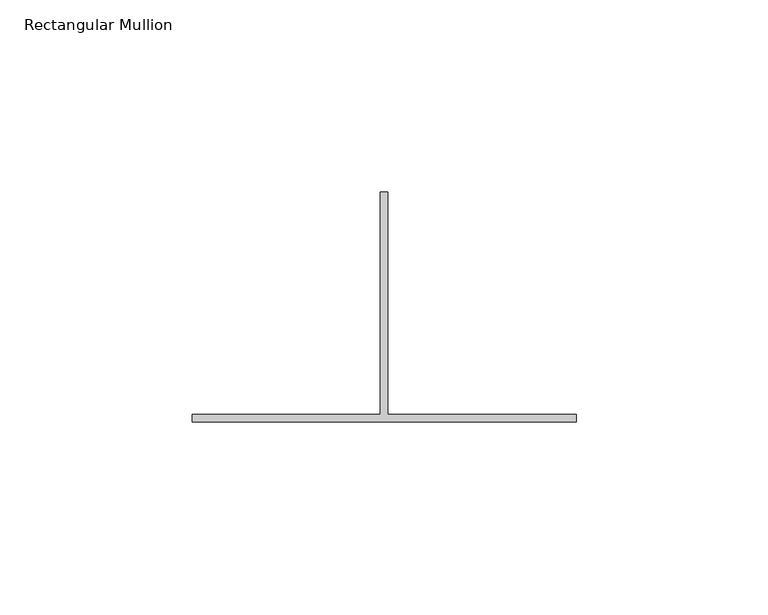
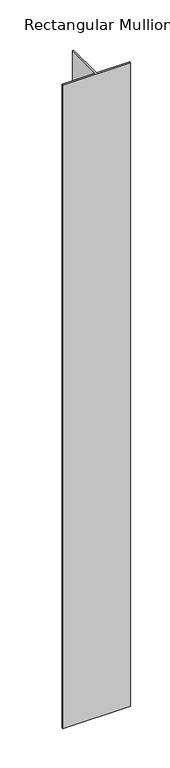
"""IFC4 building model written with IfcOpenShell, lengths in millimetres: member geometry, Rectangular Mullion."""

from ifc_helpers import new_model, si_unit, frame, origin, place, context, project, spatial, polyline, outline, extrude, source, transform, mapped, element, save


def rectangular_mullion_8bf15701(model_context):
    return source(origin(), model_context, "Body", "SweptSolid", [
        extrude(outline(polyline([(49.0, -242.0), (-51.0, -242.0), (-51.0, -240.0), (-2.0, -240.0), (-2.0, -182.0), (0.0, -182.0), (0.0, -240.0), (49.0, -240.0), (49.0, -242.0)])), frame((0.0, 0.0, -1000.0), z_axis=(0.0, 0.0, 1.0), x_axis=(1.0, 0.0, 0.0)), (0.0, 0.0, 1.0), 1000.0),
    ])


if __name__ == "__main__":
    model = new_model("IFC4")
    model_context = context("Model", 3, world=origin())
    ifc_project = project(units=[si_unit("LENGTHUNIT", "METRE", prefix="MILLI")], contexts=[model_context])
    site = spatial("IfcSite", under=ifc_project)
    building = spatial("IfcBuilding", under=site)
    placement = place(None, origin())
    rectangular_mullion_shape = rectangular_mullion_8bf15701(model_context)
    element("IfcMember", 1, ObjectType="Rectangular Mullion", at=placement, inside=building, context=model_context, shape_type="MappedRepresentation", body=[
        mapped(rectangular_mullion_shape, transform((0.0, 0.0, 0.0), x_axis=(1.0, 0.0, 0.0), y_axis=(0.0, 1.0, 0.0), z_axis=(0.0, 0.0, 1.0))),
    ])
    save(model, "model.ifc")
